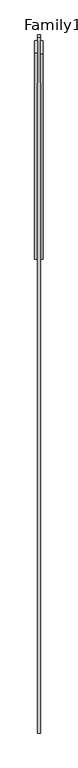
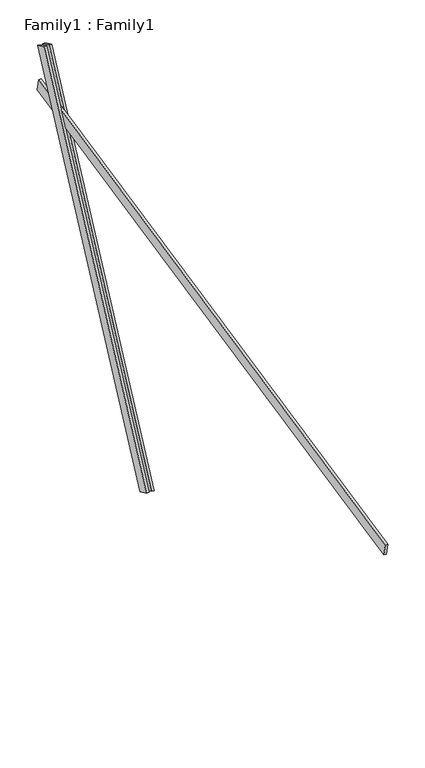
"""IFC4 building model written with IfcOpenShell, lengths in millimetres: proxy geometry, Family1 : Family1."""

from ifc_helpers import new_model, si_unit, frame, origin, place, context, project, spatial, polyline, outline, extrude, source, transform, mapped, element, save


def family1_family1_cccfd89c(model_context):
    return source(origin(), model_context, "Body", "SweptSolid", [
        extrude(outline(polyline([(0.0, 0.0), (0.0, -20.0), (-100.0000001, -20.0), (-100.0000001, 0.0), (0.0, 0.0)])), frame((-30.0, 46.3241747, -22.5938096), z_axis=(0.0, 0.4383711467890692, 0.8987940462991711), x_axis=(0.0, 0.8987940462991711, -0.4383711467890692)), (0.0, 0.0, 1.0), 3300.0),
        extrude(outline(polyline([(0.0, 0.0), (0.0, -20.0), (-99.9999999, -20.0), (-99.9999999, 0.0), (0.0, 0.0)])), frame((10.0, 45.270232, -22.0797674), z_axis=(0.0, 0.4383711467890692, 0.8987940462991711), x_axis=(0.0, 0.8987940462991711, -0.4383711467890692)), (0.0, 0.0, 1.0), 3300.0),
        extrude(outline(polyline([(0.0, -20.0), (0.0, 0.0), (4999.9999999, 0.0), (4999.9999999, -20.0), (0.0, -20.0)])), frame((-10.0, -3357.7593517, 1490.8922588), z_axis=(0.0, -0.20791169081775668, 0.9781476007338064), x_axis=(0.0, 0.9781476007338064, 0.20791169081775668)), (0.0, 0.0, 1.0), 100.0),
    ])


if __name__ == "__main__":
    model = new_model("IFC4")
    model_context = context("Model", 3, world=origin())
    ifc_project = project(units=[si_unit("LENGTHUNIT", "METRE", prefix="MILLI")], contexts=[model_context])
    site = spatial("IfcSite", under=ifc_project)
    building = spatial("IfcBuilding", under=site)
    placement = place(None, origin())
    family1_family1_shape = family1_family1_cccfd89c(model_context)
    element("IfcBuildingElementProxy", 1, Name="Family1 : Family1", ObjectType="Family1 : Family1", at=placement, inside=building, context=model_context, shape_type="MappedRepresentation", body=[
        mapped(family1_family1_shape, transform((0.0, 0.0, 0.0), x_axis=(1.0, 0.0, 0.0), y_axis=(0.0, 1.0, 0.0), z_axis=(0.0, 0.0, 1.0))),
    ])
    save(model, "model.ifc")
